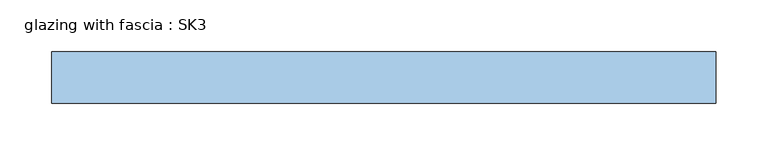
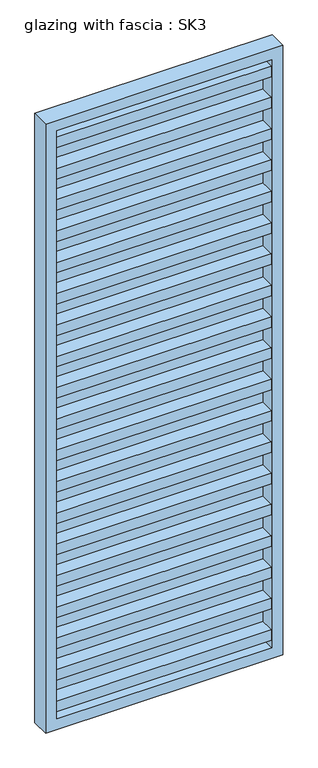
"""IFC4 building model written with IfcOpenShell, lengths in millimetres: window geometry, glazing with fascia : SK3."""

from ifc_helpers import new_model, si_unit, frame, origin, place, context, project, spatial, polyline, outline, extrude, source, transform, mapped, element, save


def glazing_with_fascia_sk3_f9737467(model_context):
    return source(origin(), model_context, "Body", "SweptSolid", [
        extrude(outline(polyline([(292.5, -0.1334055), (292.5, -8.1334055), (-292.5, -8.1334055), (-292.5, -0.1334055), (292.5, -0.1334055)])), frame((0.0, 0.0, 30.0), z_axis=(0.0, 0.0, 1.0), x_axis=(1.0, 0.0, 0.0)), (0.0, 0.0, 1.0), 1690.0),
        extrude(outline(polyline([(1750.0, -322.5), (0.0, -322.5), (0.0, 322.5), (1750.0, 322.5), (1750.0, -322.5)]), holes=[polyline([(1720.0, -292.5), (1720.0, 292.5), (30.0, 292.5), (30.0, -292.5), (1720.0, -292.5)])]), frame((0.0, -50.0, 0.0), z_axis=(0.0, 1.0, 0.0), x_axis=(0.0, 0.0, 1.0)), (0.0, 0.0, 1.0), 50.0),
        extrude(outline(polyline([(-292.5, -48.1334055), (-292.5, -8.1334055), (292.5, -8.1334055), (292.5, -48.1334055), (-292.5, -48.1334055)])), frame((0.0, 0.0, 1580.4), z_axis=(0.0, 0.0, 1.0), x_axis=(1.0, 0.0, 0.0)), (0.0, 0.0, 1.0), 30.0),
        extrude(outline(polyline([(-292.5, -48.1334055), (-292.5, -8.1334055), (292.5, -8.1334055), (292.5, -48.1334055), (-292.5, -48.1334055)])), frame((0.0, 0.0, 1490.4), z_axis=(0.0, 0.0, 1.0), x_axis=(1.0, 0.0, 0.0)), (0.0, 0.0, 1.0), 30.0),
        extrude(outline(polyline([(-292.5, -48.1334055), (-292.5, -8.1334055), (292.5, -8.1334055), (292.5, -48.1334055), (-292.5, -48.1334055)])), frame((0.0, 0.0, 1400.4), z_axis=(0.0, 0.0, 1.0), x_axis=(1.0, 0.0, 0.0)), (0.0, 0.0, 1.0), 30.0),
        extrude(outline(polyline([(-292.5, -48.1334055), (-292.5, -8.1334055), (292.5, -8.1334055), (292.5, -48.1334055), (-292.5, -48.1334055)])), frame((0.0, 0.0, 1310.4), z_axis=(0.0, 0.0, 1.0), x_axis=(1.0, 0.0, 0.0)), (0.0, 0.0, 1.0), 30.0),
        extrude(outline(polyline([(-292.5, -48.1334055), (-292.5, -8.1334055), (292.5, -8.1334055), (292.5, -48.1334055), (-292.5, -48.1334055)])), frame((0.0, 0.0, 1220.4), z_axis=(0.0, 0.0, 1.0), x_axis=(1.0, 0.0, 0.0)), (0.0, 0.0, 1.0), 30.0),
        extrude(outline(polyline([(-292.5, -48.1334055), (-292.5, -8.1334055), (292.5, -8.1334055), (292.5, -48.1334055), (-292.5, -48.1334055)])), frame((0.0, 0.0, 1130.4), z_axis=(0.0, 0.0, 1.0), x_axis=(1.0, 0.0, 0.0)), (0.0, 0.0, 1.0), 30.0),
        extrude(outline(polyline([(-292.5, -48.1334055), (-292.5, -8.1334055), (292.5, -8.1334055), (292.5, -48.1334055), (-292.5, -48.1334055)])), frame((0.0, 0.0, 1040.4), z_axis=(0.0, 0.0, 1.0), x_axis=(1.0, 0.0, 0.0)), (0.0, 0.0, 1.0), 30.0),
        extrude(outline(polyline([(-292.5, -48.1334055), (-292.5, -8.1334055), (292.5, -8.1334055), (292.5, -48.1334055), (-292.5, -48.1334055)])), frame((0.0, 0.0, 950.4), z_axis=(0.0, 0.0, 1.0), x_axis=(1.0, 0.0, 0.0)), (0.0, 0.0, 1.0), 30.0),
        extrude(outline(polyline([(-292.5, -48.1334055), (-292.5, -8.1334055), (292.5, -8.1334055), (292.5, -48.1334055), (-292.5, -48.1334055)])), frame((0.0, 0.0, 860.4), z_axis=(0.0, 0.0, 1.0), x_axis=(1.0, 0.0, 0.0)), (0.0, 0.0, 1.0), 30.0),
        extrude(outline(polyline([(-292.5, -48.1334055), (-292.5, -8.1334055), (292.5, -8.1334055), (292.5, -48.1334055), (-292.5, -48.1334055)])), frame((0.0, 0.0, 770.4), z_axis=(0.0, 0.0, 1.0), x_axis=(1.0, 0.0, 0.0)), (0.0, 0.0, 1.0), 30.0),
        extrude(outline(polyline([(-292.5, -48.1334055), (-292.5, -8.1334055), (292.5, -8.1334055), (292.5, -48.1334055), (-292.5, -48.1334055)])), frame((0.0, 0.0, 680.4), z_axis=(0.0, 0.0, 1.0), x_axis=(1.0, 0.0, 0.0)), (0.0, 0.0, 1.0), 30.0),
        extrude(outline(polyline([(-292.5, -48.1334055), (-292.5, -8.1334055), (292.5, -8.1334055), (292.5, -48.1334055), (-292.5, -48.1334055)])), frame((0.0, 0.0, 590.4), z_axis=(0.0, 0.0, 1.0), x_axis=(1.0, 0.0, 0.0)), (0.0, 0.0, 1.0), 30.0),
        extrude(outline(polyline([(-292.5, -48.1334055), (-292.5, -8.1334055), (292.5, -8.1334055), (292.5, -48.1334055), (-292.5, -48.1334055)])), frame((0.0, 0.0, 500.4), z_axis=(0.0, 0.0, 1.0), x_axis=(1.0, 0.0, 0.0)), (0.0, 0.0, 1.0), 30.0),
        extrude(outline(polyline([(-292.5, -48.1334055), (-292.5, -8.1334055), (292.5, -8.1334055), (292.5, -48.1334055), (-292.5, -48.1334055)])), frame((0.0, 0.0, 410.4), z_axis=(0.0, 0.0, 1.0), x_axis=(1.0, 0.0, 0.0)), (0.0, 0.0, 1.0), 30.0),
        extrude(outline(polyline([(-292.5, -48.1334055), (-292.5, -8.1334055), (292.5, -8.1334055), (292.5, -48.1334055), (-292.5, -48.1334055)])), frame((0.0, 0.0, 320.4), z_axis=(0.0, 0.0, 1.0), x_axis=(1.0, 0.0, 0.0)), (0.0, 0.0, 1.0), 30.0),
        extrude(outline(polyline([(-292.5, -48.1334055), (-292.5, -8.1334055), (292.5, -8.1334055), (292.5, -48.1334055), (-292.5, -48.1334055)])), frame((0.0, 0.0, 230.4), z_axis=(0.0, 0.0, 1.0), x_axis=(1.0, 0.0, 0.0)), (0.0, 0.0, 1.0), 30.0),
        extrude(outline(polyline([(-292.5, -48.1334055), (-292.5, -8.1334055), (292.5, -8.1334055), (292.5, -48.1334055), (-292.5, -48.1334055)])), frame((0.0, 0.0, 140.4), z_axis=(0.0, 0.0, 1.0), x_axis=(1.0, 0.0, 0.0)), (0.0, 0.0, 1.0), 30.0),
        extrude(outline(polyline([(-292.5, -48.1334055), (-292.5, -8.1334055), (292.5, -8.1334055), (292.5, -48.1334055), (-292.5, -48.1334055)])), frame((0.0, 0.0, 50.4), z_axis=(0.0, 0.0, 1.0), x_axis=(1.0, 0.0, 0.0)), (0.0, 0.0, 1.0), 30.0),
        extrude(outline(polyline([(-292.5, -48.1334055), (-292.5, -8.1334055), (292.5, -8.1334055), (292.5, -48.1334055), (-292.5, -48.1334055)])), frame((0.0, 0.0, 1670.0), z_axis=(0.0, 0.0, 1.0), x_axis=(1.0, 0.0, 0.0)), (0.0, 0.0, 1.0), 30.0),
    ])


if __name__ == "__main__":
    model = new_model("IFC4")
    model_context = context("Model", 3, world=origin())
    ifc_project = project(units=[si_unit("LENGTHUNIT", "METRE", prefix="MILLI")], contexts=[model_context])
    site = spatial("IfcSite", under=ifc_project)
    building = spatial("IfcBuilding", under=site)
    placement = place(None, origin())
    glazing_with_fascia_sk3_shape = glazing_with_fascia_sk3_f9737467(model_context)
    element("IfcWindow", 1, ObjectType="glazing with fascia : SK3", at=placement, inside=building, context=model_context, shape_type="MappedRepresentation", body=[
        mapped(glazing_with_fascia_sk3_shape, transform((0.0, 0.0, 0.0), x_axis=(1.0, 0.0, 0.0), y_axis=(0.0, 1.0, 0.0), z_axis=(0.0, 0.0, 1.0))),
    ])
    save(model, "model.ifc")
